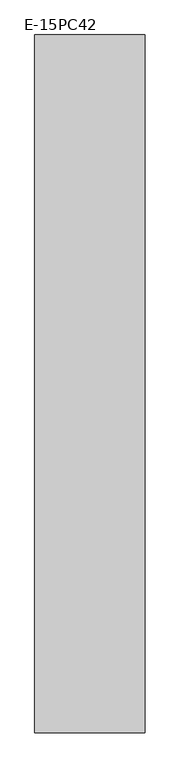
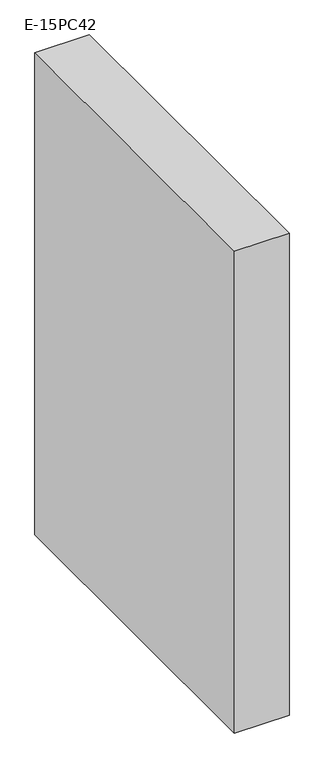
"""IFC4 building model written with IfcOpenShell, lengths in millimetres: column geometry, E-15PC42."""

from ifc_helpers import new_model, si_unit, frame, origin, place, context, project, spatial, polyline, outline, extrude, source, transform, mapped, element, save


def e_15pc42_74d7b05c(model_context):
    return source(origin(), model_context, "Body", "SweptSolid", [
        extrude(outline(polyline([(0.0, -773.2113409), (0.0, 1126.7886591), (300.0, 1126.7886591), (300.0, -773.2113409), (0.0, -773.2113409)])), frame((0.0, 0.0, 25850.0), z_axis=(0.0, 0.0, 1.0), x_axis=(1.0, 0.0, 0.0)), (0.0, 0.0, 1.0), 2800.0),
    ])


if __name__ == "__main__":
    model = new_model("IFC4")
    model_context = context("Model", 3, world=origin())
    ifc_project = project(units=[si_unit("LENGTHUNIT", "METRE", prefix="MILLI")], contexts=[model_context])
    site = spatial("IfcSite", under=ifc_project)
    building = spatial("IfcBuilding", under=site)
    placement = place(None, origin())
    e_15pc42_shape = e_15pc42_74d7b05c(model_context)
    element("IfcColumn", 1, ObjectType="E-15PC42", at=placement, inside=building, context=model_context, shape_type="MappedRepresentation", body=[
        mapped(e_15pc42_shape, transform((0.0, 0.0, 0.0), x_axis=(1.0, 0.0, 0.0), y_axis=(0.0, 1.0, 0.0), z_axis=(0.0, 0.0, 1.0))),
    ])
    save(model, "model.ifc")
